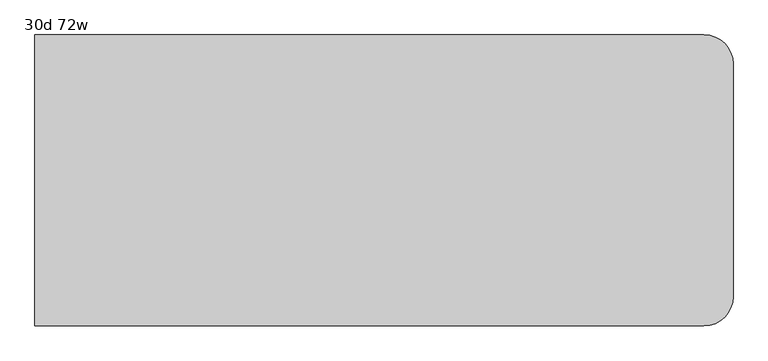
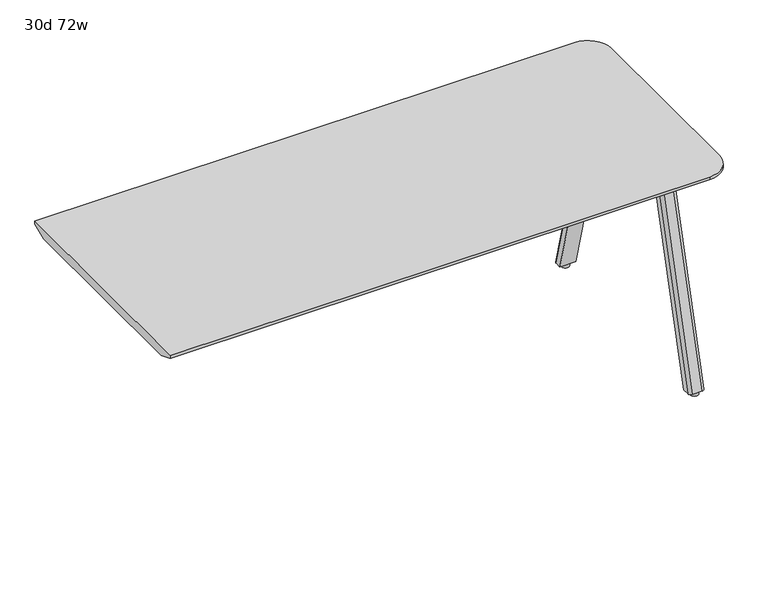
"""IFC4 building model written with IfcOpenShell, lengths in millimetres: furniture geometry, 30d 72w."""

from ifc_helpers import new_model, si_unit, point, frame, frame_2d, origin, origin_with_axes, place, context, project, spatial, polyline, circle_curve, trimmed, segment, composite_curve, outline, extrude, source, transform, mapped, element, save
from ifc_brep_helpers import plane_surface, cylinder_surface, revolved_surface, extruded_surface, advanced_brep


def furniture_30d_72w_06a65731(model_context):
    return source(origin(), model_context, "Body", "SolidModel", [
        extrude(outline(composite_curve([segment(polyline([(1264.8565, -101.3714359), (1156.9065004, -101.3714359)]), True, "CONTINUOUS"), segment(trimmed(circle_curve(frame_2d((1156.9065004, -91.8464359)), 9.525), [point((1156.9065004, -101.3714359))], [point((1147.3815004, -91.8464359))], False, "CARTESIAN"), True, "CONTINUOUS"), segment(polyline([(1147.3815004, -91.8464359), (1147.3815004, -9.1730665)]), True, "CONTINUOUS"), segment(trimmed(circle_curve(frame_2d((1156.9065004, -9.1730665)), 9.525), [point((1147.3815004, -9.1730665))], [point((1156.9065004, 0.3519335))], False, "CARTESIAN"), True, "CONTINUOUS"), segment(polyline([(1156.9065004, 0.3519335), (1264.8565, 0.3519335)]), True, "CONTINUOUS"), segment(trimmed(circle_curve(frame_2d((1264.8565, -9.1730665)), 9.525), [point((1264.8565, 0.3519335))], [point((1274.3815, -9.1730665))], False, "CARTESIAN"), True, "CONTINUOUS"), segment(polyline([(1274.3815, -9.1730665), (1274.3815, -91.8464359)]), True, "CONTINUOUS"), segment(trimmed(circle_curve(frame_2d((1264.8565, -91.8464359)), 9.525), [point((1274.3815, -91.8464359))], [point((1264.8565, -101.3714359))], False, "CARTESIAN"), True, "CONTINUOUS")], self_intersect=False)), frame((0.0, 0.0, 705.2055742), z_axis=(0.0, 0.0, 1.0), x_axis=(1.0, 0.0, 0.0)), (0.0, 0.0, 1.0), 5.9944258),
        advanced_brep(
        [(1258.8875, -6.8722266, 705.2055742), (1227.1375, -6.8722266, 705.2055742), (1217.6125, -16.3972266, 705.2055742), (1217.6125, -37.0347266, 705.2055742), (1268.4125, -37.0347266, 705.2055742), (1268.4125, -16.3972266, 705.2055742), (1258.8875, 179.6160641, 12.7), (1268.4125, 170.0910641, 12.7), (1268.4125, 149.4535641, 12.7), (1217.6125, 149.4535641, 12.7), (1217.6125, 170.0910641, 12.7), (1227.1375, 179.6160641, 12.7)],
        [
            (0, 1),
            (1, 2, circle_curve(frame((1227.1375, -16.3972266, 705.2055742), z_axis=(0.0, 0.0, 1.0), x_axis=(1.0, 0.0, 0.0)), 9.525)),
            (2, 3),
            (3, 4),
            (4, 5),
            (5, 0, circle_curve(frame((1258.8875, -16.3972266, 705.2055742), z_axis=(0.0, 0.0, 1.0), x_axis=(1.0, 0.0, 0.0)), 9.525)),
            (6, 7, circle_curve(frame((1258.8875, 170.0910641, 12.7), z_axis=(0.0, 0.0, -1.0), x_axis=(1.0, 0.0, 0.0)), 9.525)),
            (7, 8),
            (8, 9),
            (9, 10),
            (10, 11, circle_curve(frame((1227.1375, 170.0910641, 12.7), z_axis=(0.0, 0.0, -1.0), x_axis=(1.0, 0.0, 0.0)), 9.525)),
            (11, 6),
            (6, 0),
            (5, 7),
            (4, 8),
            (3, 9),
            (2, 10),
            (1, 11),
        ],
        [
            plane_surface(frame((1243.0125, -20.1013932, 705.2055742), z_axis=(0.0, 0.0, 1.0), x_axis=(-1.0, 0.0, 0.0))),
            plane_surface(frame((1243.0125, 166.3868975, 12.7), z_axis=(0.0, 0.0, -1.0), x_axis=(-1.0, 0.0, 0.0))),
            extruded_surface(trimmed(circle_curve(frame((1258.8875, -16.3972266, 705.2055742), z_axis=(0.0, 0.0, -1.0), x_axis=(1.0, 0.0, 0.0)), 9.525), [point((1258.8875, -6.8722266, 705.2055742))], [point((1268.4125, -16.3972266, 705.2055742))], True, "CARTESIAN"), (0.0, 186.48829070000002, -692.5055742), 717.1763052878136),
            plane_surface(frame((1268.4125, 159.7723141, 12.7), z_axis=(1.0, 0.0, 0.0), x_axis=(0.0, -1.0, 0.0))),
            plane_surface(frame((1243.0125, 149.4535641, 12.7), z_axis=(0.0, -0.9656001865922422, -0.260031305140414), x_axis=(-1.0, 0.0, 0.0))),
            plane_surface(frame((1217.6125, 159.7723141, 12.7), z_axis=(-1.0, 0.0, 0.0), x_axis=(0.0, 1.0, 0.0))),
            extruded_surface(trimmed(circle_curve(frame((1227.1375, -16.3972266, 705.2055742), z_axis=(0.0, 0.0, -1.0), x_axis=(1.0, 0.0, 0.0)), 9.525), [point((1217.6125, -16.3972266, 705.2055742))], [point((1227.1375, -6.8722266, 705.2055742))], True, "CARTESIAN"), (0.0, 186.48829070000002, -692.5055742), 717.1763052878136),
            plane_surface(frame((1243.0125, 179.6160641, 12.7), z_axis=(0.0, 0.9656001865922422, 0.260031305140414), x_axis=(1.0, 0.0, 0.0))),
        ],
        [
            (0, [[1, 2, 3, 4, 5, 6]]),
            (1, [[7, 8, 9, 10, 11, 12]]),
            (2, [[13, -6, 14, -7]]),
            (3, [[-14, -5, 15, -8]]),
            (4, [[-15, -4, 16, -9]]),
            (5, [[-16, -3, 17, -10]]),
            (6, [[-17, -2, 18, -11]]),
            (7, [[-18, -1, -13, -12]]),
        ],
    ),
        extrude(outline(composite_curve([segment(trimmed(circle_curve(frame_2d((1243.0125, 163.7410641)), 12.7), [point((1230.3125, 163.7410641))], [point((1255.7125, 163.7410641))], False, "CARTESIAN"), True, "CONTINUOUS"), segment(trimmed(circle_curve(frame_2d((1243.0125, 163.7410641)), 12.7), [point((1255.7125, 163.7410641))], [point((1230.3125, 163.7410641))], False, "CARTESIAN"), True, "CONTINUOUS")], self_intersect=False)), origin_with_axes(), (0.0, 0.0, 1.0), 12.7),
        extrude(outline(composite_curve([segment(trimmed(circle_curve(frame_2d((1264.8565, -307.6605172)), 9.525), [point((1264.8565, -298.1355172))], [point((1274.3815, -307.6605172))], False, "CARTESIAN"), True, "CONTINUOUS"), segment(polyline([(1274.3815, -307.6605172), (1274.3815, -390.3338866)]), True, "CONTINUOUS"), segment(trimmed(circle_curve(frame_2d((1264.8565, -390.3338866)), 9.525), [point((1274.3815, -390.3338866))], [point((1264.8565, -399.8588866))], False, "CARTESIAN"), True, "CONTINUOUS"), segment(polyline([(1264.8565, -399.8588866), (1156.9065004, -399.8588866)]), True, "CONTINUOUS"), segment(trimmed(circle_curve(frame_2d((1156.9065004, -390.3338866)), 9.525), [point((1156.9065004, -399.8588866))], [point((1147.3815004, -390.3338866))], False, "CARTESIAN"), True, "CONTINUOUS"), segment(polyline([(1147.3815004, -390.3338866), (1147.3815004, -307.6605172)]), True, "CONTINUOUS"), segment(trimmed(circle_curve(frame_2d((1156.9065004, -307.6605172)), 9.525), [point((1147.3815004, -307.6605172))], [point((1156.9065004, -298.1355172))], False, "CARTESIAN"), True, "CONTINUOUS"), segment(polyline([(1156.9065004, -298.1355172), (1264.8565, -298.1355172)]), True, "CONTINUOUS")], self_intersect=False)), frame((0.0, 0.0, 705.2055742), z_axis=(0.0, 0.0, 1.0), x_axis=(1.0, 0.0, 0.0)), (0.0, 0.0, 1.0), 5.9944258),
        advanced_brep(
        [(1258.8875, -392.6347266, 705.2055742), (1268.4125, -383.1097266, 705.2055742), (1268.4125, -362.4722266, 705.2055742), (1217.6125, -362.4722266, 705.2055742), (1217.6125, -383.1097266, 705.2055742), (1227.1375, -392.6347266, 705.2055742), (1258.8875, -579.1230172, 12.7), (1227.1375, -579.1230172, 12.7), (1217.6125, -569.5980172, 12.7), (1217.6125, -548.9605172, 12.7), (1268.4125, -548.9605172, 12.7), (1268.4125, -569.5980172, 12.7)],
        [
            (0, 1, circle_curve(frame((1258.8875, -383.1097266, 705.2055742), z_axis=(0.0, 0.0, 1.0), x_axis=(1.0, 0.0, 0.0)), 9.525)),
            (1, 2),
            (2, 3),
            (3, 4),
            (4, 5, circle_curve(frame((1227.1375, -383.1097266, 705.2055742), z_axis=(0.0, 0.0, 1.0), x_axis=(1.0, 0.0, 0.0)), 9.525)),
            (5, 0),
            (6, 7),
            (7, 8, circle_curve(frame((1227.1375, -569.5980172, 12.7), z_axis=(0.0, 0.0, -1.0), x_axis=(1.0, 0.0, 0.0)), 9.525)),
            (8, 9),
            (9, 10),
            (10, 11),
            (11, 6, circle_curve(frame((1258.8875, -569.5980172, 12.7), z_axis=(0.0, 0.0, -1.0), x_axis=(1.0, 0.0, 0.0)), 9.525)),
            (11, 1),
            (0, 6),
            (10, 2),
            (9, 3),
            (8, 4),
            (7, 5),
        ],
        [
            plane_surface(frame((1243.0125, -379.4055599, 705.2055742), z_axis=(0.0, 0.0, 1.0), x_axis=(-1.0, 0.0, 0.0))),
            plane_surface(frame((1243.0125, -565.8938506, 12.7), z_axis=(0.0, 0.0, -1.0), x_axis=(-1.0, 0.0, 0.0))),
            extruded_surface(trimmed(circle_curve(frame((1258.8875, -569.5980172, 12.7), z_axis=(0.0, 0.0, 1.0), x_axis=(1.0, 0.0, 0.0)), 9.525), [point((1258.8875, -579.1230172, 12.7))], [point((1268.4125, -569.5980172, 12.7))], True, "CARTESIAN"), (0.0, 186.48829059999997, 692.5055742), 717.1763052618105),
            plane_surface(frame((1268.4125, -559.2792672, 12.7), z_axis=(1.0, 0.0, 0.0), x_axis=(0.0, 1.0, 0.0))),
            plane_surface(frame((1243.0125, -548.9605172, 12.7), z_axis=(0.0, 0.9656001865922422, -0.260031305140414), x_axis=(-1.0, 0.0, 0.0))),
            plane_surface(frame((1217.6125, -559.2792672, 12.7), z_axis=(-1.0, 0.0, 0.0), x_axis=(0.0, -1.0, 0.0))),
            extruded_surface(trimmed(circle_curve(frame((1227.1375, -569.5980172, 12.7), z_axis=(0.0, 0.0, 1.0), x_axis=(1.0, 0.0, 0.0)), 9.525), [point((1217.6125, -569.5980172, 12.7))], [point((1227.1375, -579.1230172, 12.7))], True, "CARTESIAN"), (0.0, 186.48829059999997, 692.5055742), 717.1763052618105),
            plane_surface(frame((1243.0125, -579.1230172, 12.7), z_axis=(0.0, -0.9656001865922422, 0.260031305140414), x_axis=(1.0, 0.0, 0.0))),
        ],
        [
            (0, [[1, 2, 3, 4, 5, 6]]),
            (1, [[7, 8, 9, 10, 11, 12]]),
            (2, [[-12, 13, -1, 14]]),
            (3, [[-11, 15, -2, -13]]),
            (4, [[-10, 16, -3, -15]]),
            (5, [[-9, 17, -4, -16]]),
            (6, [[-8, 18, -5, -17]]),
            (7, [[-7, -14, -6, -18]]),
        ],
    ),
        extrude(outline(composite_curve([segment(trimmed(circle_curve(frame_2d((1243.0125, -563.2480172)), 12.7), [point((1230.3125, -563.2480172))], [point((1255.7125, -563.2480172))], False, "CARTESIAN"), True, "CONTINUOUS"), segment(trimmed(circle_curve(frame_2d((1243.0125, -563.2480172)), 12.7), [point((1255.7125, -563.2480172))], [point((1230.3125, -563.2480172))], False, "CARTESIAN"), True, "CONTINUOUS")], self_intersect=False)), origin_with_axes(), (0.0, 0.0, 1.0), 12.7),
        advanced_brep(
        [(1282.7, 181.2465234, 741.3625), (-469.9, 181.2465234, 741.3625), (-469.9, -580.7534766, 741.3625), (1282.7, -580.7534766, 741.3625), (1358.9, -504.5534766, 741.3625), (1358.9, 105.0465234, 741.3625), (-469.9, -529.9534766, 711.2), (-469.9, 130.4465234, 711.2), (1282.7, 130.4465234, 711.2), (1308.1, 105.0465234, 711.2), (1308.1, -504.5534766, 711.2), (1282.7, -529.9534766, 711.2), (1282.7, 181.2465234, 731.8375), (-469.9, 181.2465234, 731.8375), (-469.9, -580.7534766, 731.8375), (1282.7, -580.7534766, 731.8375), (1358.9, -504.5534766, 731.8375), (1358.9, 105.0465234, 731.8375)],
        [
            (0, 1),
            (1, 2),
            (2, 3),
            (3, 4, circle_curve(frame((1282.7, -504.5534766, 741.3625), z_axis=(0.0, 0.0, 1.0), x_axis=(1.0, 0.0, 0.0)), 76.2)),
            (4, 5),
            (5, 0, circle_curve(frame((1282.7, 105.0465234, 741.3625), z_axis=(0.0, 0.0, 1.0), x_axis=(1.0, 0.0, 0.0)), 76.2)),
            (6, 7),
            (7, 8),
            (8, 9, circle_curve(frame((1282.7, 105.0465234, 711.2), z_axis=(0.0, 0.0, -1.0), x_axis=(1.0, 0.0, 0.0)), 25.4)),
            (9, 10),
            (10, 11, circle_curve(frame((1282.7, -504.5534766, 711.2), z_axis=(0.0, 0.0, -1.0), x_axis=(0.0, -1.0, 0.0)), 25.4)),
            (11, 6),
            (0, 12),
            (12, 13),
            (13, 1),
            (13, 7),
            (6, 14),
            (14, 2),
            (14, 15),
            (15, 3),
            (4, 16),
            (16, 17),
            (17, 5),
            (11, 15),
            (10, 16),
            (16, 15, circle_curve(frame((1282.7, -504.5534766, 731.8375), z_axis=(0.0, 0.0, -1.0), x_axis=(0.0, -1.0, 0.0)), 76.2)),
            (9, 17),
            (17, 12, circle_curve(frame((1282.7, 105.0465234, 731.8375), z_axis=(0.0, 0.0, 1.0), x_axis=(1.0, 0.0, 0.0)), 76.2)),
            (8, 12),
        ],
        [
            plane_surface(frame((-469.9, 181.2465234, 741.3625), z_axis=(0.0, 0.0, 1.0), x_axis=(-1.0, 0.0, 0.0))),
            plane_surface(frame((-469.9, 181.2465234, 711.2), z_axis=(0.0, 0.0, -1.0), x_axis=(1.0, 0.0, 0.0))),
            plane_surface(frame((1282.7, 181.2465234, 741.3625), z_axis=(0.0, 1.0, 0.0), x_axis=(0.0, 0.0, -1.0))),
            plane_surface(frame((-469.9, 181.2465234, 741.3625), z_axis=(-1.0, 0.0, 0.0), x_axis=(0.0, 0.0, -1.0))),
            plane_surface(frame((-469.9, -580.7534766, 741.3625), z_axis=(0.0, -1.0, 0.0), x_axis=(0.0, 0.0, -1.0))),
            plane_surface(frame((1358.9, -504.5534766, 741.3625), z_axis=(1.0, 0.0, 0.0), x_axis=(0.0, 0.0, -1.0))),
            plane_surface(frame((-469.9, -580.7534766, 731.8375), z_axis=(0.0, -0.3763770469570871, -0.9264665771218423), x_axis=(1.0, 0.0, 0.0))),
            revolved_surface(polyline([(1282.7, -529.9534766, 711.2), (1282.7, -580.7534766, 731.8375)]), (1282.7, -504.5534766, 0.0), (0.0, 0.0, 1.0)),
            plane_surface(frame((1358.9, -504.5534766, 731.8375), z_axis=(0.3763770469570871, 0.0, -0.9264665771218423), x_axis=(0.0, 1.0, 0.0))),
            cylinder_surface(frame((1282.7, -504.5534766, 711.2), z_axis=(0.0, 0.0, 1.0), x_axis=(1.0, 0.0, 0.0)), 76.2),
            cylinder_surface(frame((1282.7, 105.0465234, 711.2), z_axis=(0.0, 0.0, 1.0), x_axis=(1.0, 0.0, 0.0)), 76.2),
            revolved_surface(polyline([(1308.1, 105.0465234, 711.2), (1358.9, 105.0465234, 731.8375)]), (1282.7, 105.0465234, 0.0), (0.0, 0.0, 1.0)),
            plane_surface(frame((1282.7, 181.2465234, 731.8375), z_axis=(0.0, 0.3763770469570871, -0.9264665771218423), x_axis=(-1.0, 0.0, 0.0))),
        ],
        [
            (0, [[1, 2, 3, 4, 5, 6]]),
            (1, [[7, 8, 9, 10, 11, 12]]),
            (2, [[-1, 13, 14, 15]]),
            (3, [[-2, -15, 16, -7, 17, 18]]),
            (4, [[-3, -18, 19, 20]]),
            (5, [[-5, 21, 22, 23]]),
            (6, [[24, -19, -17, -12]]),
            (7, [[-24, -11, 25, 26]]),
            (8, [[-25, -10, 27, -22]]),
            (9, [[-4, -20, -26, -21]]),
            (10, [[-6, -23, 28, -13]]),
            (11, [[-27, -9, 29, -28]]),
            (12, [[-29, -8, -16, -14]]),
        ],
    ),
    ])


if __name__ == "__main__":
    model = new_model("IFC4")
    model_context = context("Model", 3, world=origin())
    ifc_project = project(units=[si_unit("LENGTHUNIT", "METRE", prefix="MILLI")], contexts=[model_context])
    site = spatial("IfcSite", under=ifc_project)
    building = spatial("IfcBuilding", under=site)
    placement = place(None, origin())
    furniture_30d_72w_shape = furniture_30d_72w_06a65731(model_context)
    element("IfcFurniture", 1, ObjectType="30d 72w", at=placement, inside=building, context=model_context, shape_type="MappedRepresentation", body=[
        mapped(furniture_30d_72w_shape, transform((0.0, 0.0, 0.0), x_axis=(1.0, 0.0, 0.0), y_axis=(0.0, 1.0, 0.0), z_axis=(0.0, 0.0, 1.0))),
    ])
    save(model, "model.ifc")
